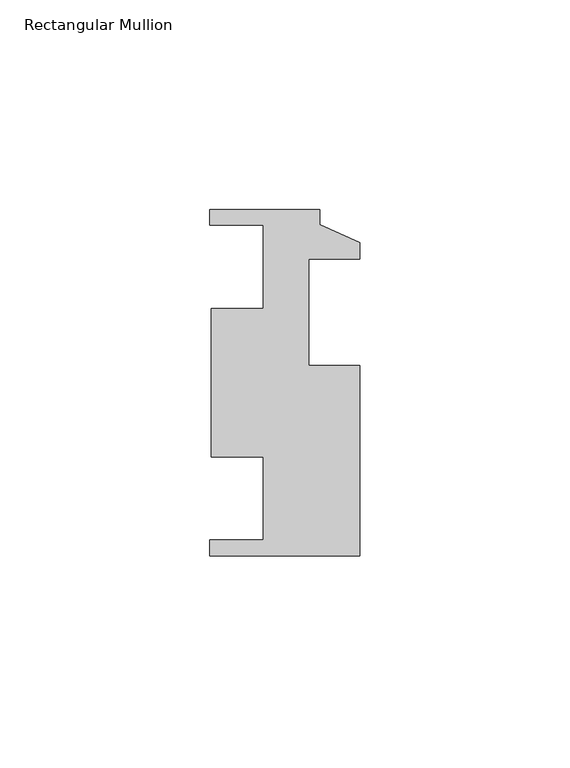
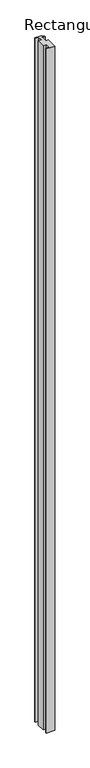
"""IFC4 building model written with IfcOpenShell, lengths in millimetres: member geometry, Rectangular Mullion."""

from ifc_helpers import new_model, si_unit, frame, origin, place, context, project, spatial, polyline, outline, extrude, source, transform, mapped, element, save


def rectangular_mullion_7b0be272(model_context):
    return source(origin(), model_context, "Body", "SweptSolid", [
        extrude(outline(polyline([(-35.7632, -38.9635979), (-35.7632, -35.2297979), (-23.0632, -35.2297979), (-23.0632, -15.3923979), (-35.4175073, -15.3923979), (-35.4175073, 20.0152021), (-23.0632, 20.0152021), (-23.0632, 39.8526021), (-35.7632, 39.8526021), (-35.7632, 43.5864021), (-9.525, 43.5864021), (-9.525, 39.9796021), (0.0, 35.6616021), (0.0, 31.7500021), (-12.2174, 31.7500021), (-12.2174, 6.3500021), (0.0, 6.3500021), (0.0, -38.9635979), (-35.7632, -38.9635979)])), frame((0.0, 0.0, -3048.0), z_axis=(0.0, 0.0, 1.0), x_axis=(1.0, 0.0, 0.0)), (0.0, 0.0, 1.0), 3048.0),
    ])


if __name__ == "__main__":
    model = new_model("IFC4")
    model_context = context("Model", 3, world=origin())
    ifc_project = project(units=[si_unit("LENGTHUNIT", "METRE", prefix="MILLI")], contexts=[model_context])
    site = spatial("IfcSite", under=ifc_project)
    building = spatial("IfcBuilding", under=site)
    placement = place(None, origin())
    rectangular_mullion_shape = rectangular_mullion_7b0be272(model_context)
    element("IfcMember", 1, ObjectType="Rectangular Mullion", at=placement, inside=building, context=model_context, shape_type="MappedRepresentation", body=[
        mapped(rectangular_mullion_shape, transform((0.0, 0.0, 0.0), x_axis=(1.0, 0.0, 0.0), y_axis=(0.0, 1.0, 0.0), z_axis=(0.0, 0.0, 1.0))),
    ])
    save(model, "model.ifc")
